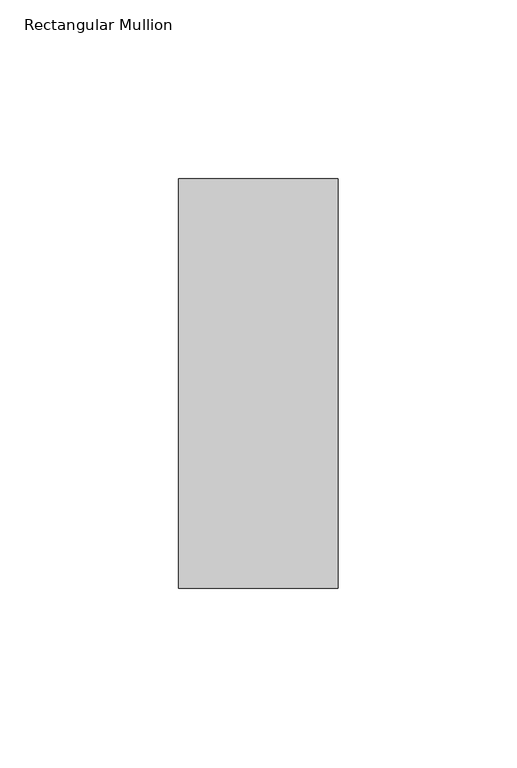
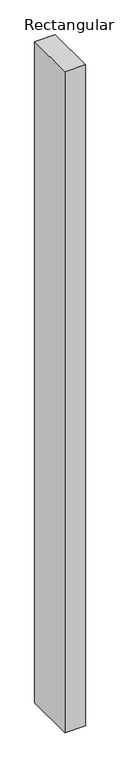
"""IFC4 building model written with IfcOpenShell, lengths in millimetres: member geometry, Rectangular Mullion."""

from ifc_helpers import new_model, si_unit, frame, origin, place, context, project, spatial, polyline, outline, extrude, source, transform, mapped, element, save


def rectangular_mullion_085c9072(model_context):
    return source(origin(), model_context, "Body", "SweptSolid", [
        extrude(outline(polyline([(22.225, 57.1464454), (22.225, -57.1475778), (-22.225, -57.1475778), (-22.225, 57.1464454), (22.225, 57.1464454)])), frame((0.0, 0.0, -1524.0), z_axis=(0.0, 0.0, 1.0), x_axis=(1.0, 0.0, 0.0)), (0.0, 0.0, 1.0), 1524.0),
    ])


if __name__ == "__main__":
    model = new_model("IFC4")
    model_context = context("Model", 3, world=origin())
    ifc_project = project(units=[si_unit("LENGTHUNIT", "METRE", prefix="MILLI")], contexts=[model_context])
    site = spatial("IfcSite", under=ifc_project)
    building = spatial("IfcBuilding", under=site)
    placement = place(None, origin())
    rectangular_mullion_shape = rectangular_mullion_085c9072(model_context)
    element("IfcMember", 1, ObjectType="Rectangular Mullion", at=placement, inside=building, context=model_context, shape_type="MappedRepresentation", body=[
        mapped(rectangular_mullion_shape, transform((0.0, 0.0, 0.0), x_axis=(1.0, 0.0, 0.0), y_axis=(0.0, 1.0, 0.0), z_axis=(0.0, 0.0, 1.0))),
    ])
    save(model, "model.ifc")
